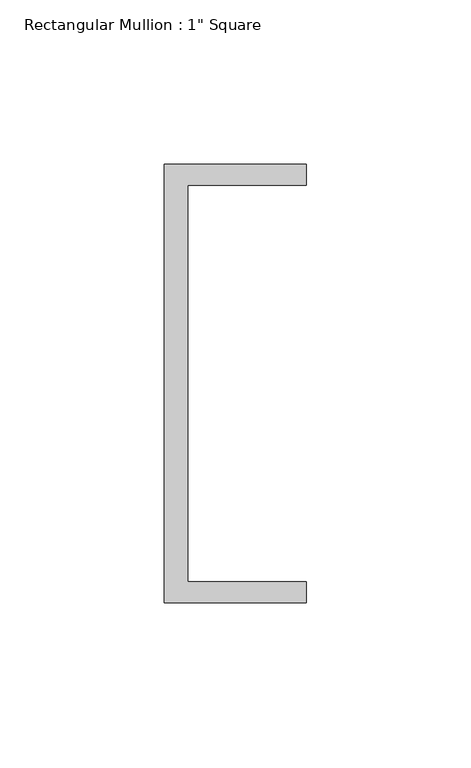
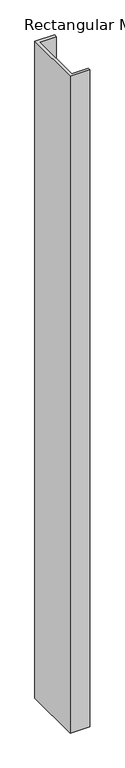
"""IFC4 building model written with IfcOpenShell, lengths in millimetres: member geometry."""

from ifc_helpers import new_model, si_unit, frame, origin, place, context, project, spatial, polyline, outline, extrude, source, transform, mapped, element, save


def member_797e56f6(model_context):
    return source(origin(), model_context, "Body", "SweptSolid", [
        extrude(outline(polyline([(-18.6549463, 135.2608739), (24.5675083, 135.2608739), (24.5675083, 128.9108739), (-11.6110886, 128.9108739), (-11.6110886, 8.2608739), (24.5675083, 8.2608739), (24.5675083, 1.9108739), (-18.6549463, 1.9108739), (-18.6549463, 135.2608739)])), frame((0.0, 0.0, -1515.6532267), z_axis=(0.0, 0.0, 1.0), x_axis=(1.0, 0.0, 0.0)), (0.0, 0.0, 1.0), 1515.6532267),
    ])


if __name__ == "__main__":
    model = new_model("IFC4")
    model_context = context("Model", 3, world=origin())
    ifc_project = project(units=[si_unit("LENGTHUNIT", "METRE", prefix="MILLI")], contexts=[model_context])
    site = spatial("IfcSite", under=ifc_project)
    building = spatial("IfcBuilding", under=site)
    placement = place(None, origin())
    member_shape = member_797e56f6(model_context)
    element("IfcMember", 1, ObjectType="Rectangular Mullion : 1\" Square", at=placement, inside=building, context=model_context, shape_type="MappedRepresentation", body=[
        mapped(member_shape, transform((0.0, 0.0, 0.0), x_axis=(1.0, 0.0, 0.0), y_axis=(0.0, 1.0, 0.0), z_axis=(0.0, 0.0, 1.0))),
    ])
    save(model, "model.ifc")
